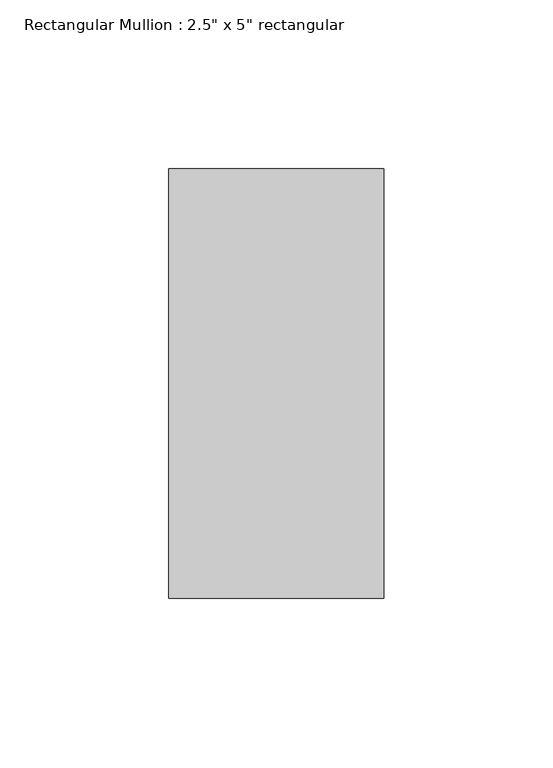
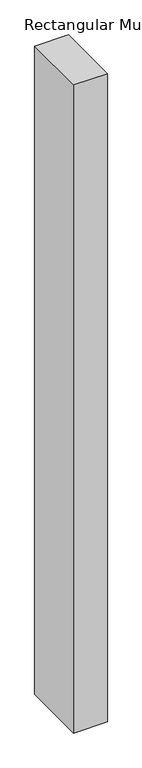
"""IFC4 building model written with IfcOpenShell, lengths in millimetres: member geometry."""

from ifc_helpers import new_model, si_unit, frame, origin, place, context, project, spatial, polyline, outline, extrude, source, transform, mapped, element, save


def member_ffe7e463(model_context):
    return source(origin(), model_context, "Body", "SweptSolid", [
        extrude(outline(polyline([(0.0, 63.5), (0.0, -63.5), (-63.5, -63.5), (-63.5, 63.5), (0.0, 63.5)])), frame((0.0, 0.0, -1291.4166667), z_axis=(0.0, 0.0, 1.0), x_axis=(1.0, 0.0, 0.0)), (0.0, 0.0, 1.0), 1291.4166667),
    ])


if __name__ == "__main__":
    model = new_model("IFC4")
    model_context = context("Model", 3, world=origin())
    ifc_project = project(units=[si_unit("LENGTHUNIT", "METRE", prefix="MILLI")], contexts=[model_context])
    site = spatial("IfcSite", under=ifc_project)
    building = spatial("IfcBuilding", under=site)
    placement = place(None, origin())
    member_shape = member_ffe7e463(model_context)
    element("IfcMember", 1, ObjectType="Rectangular Mullion : 2.5\" x 5\" rectangular", at=placement, inside=building, context=model_context, shape_type="MappedRepresentation", body=[
        mapped(member_shape, transform((0.0, 0.0, 0.0), x_axis=(1.0, 0.0, 0.0), y_axis=(0.0, 1.0, 0.0), z_axis=(0.0, 0.0, 1.0))),
    ])
    save(model, "model.ifc")
